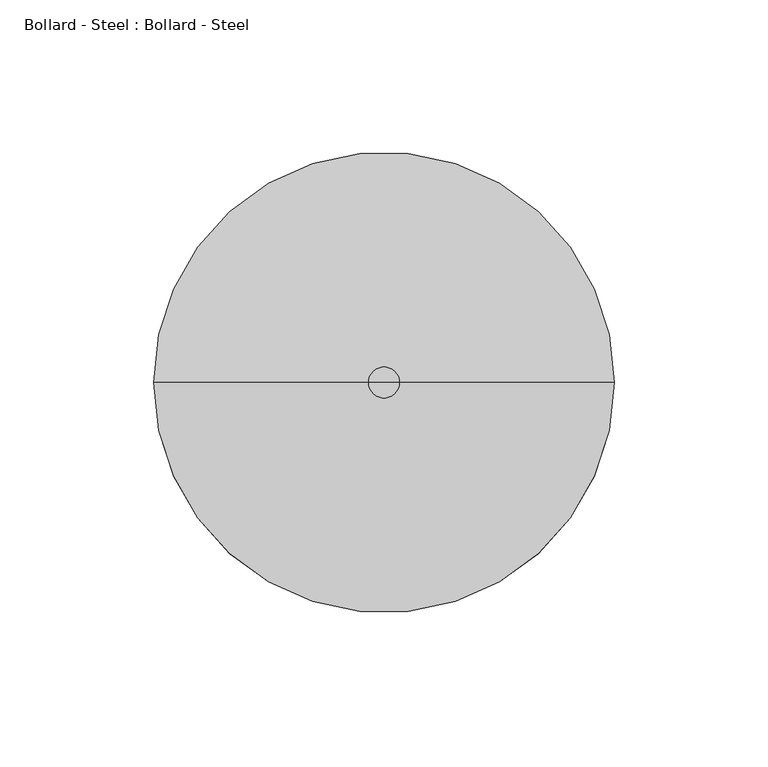
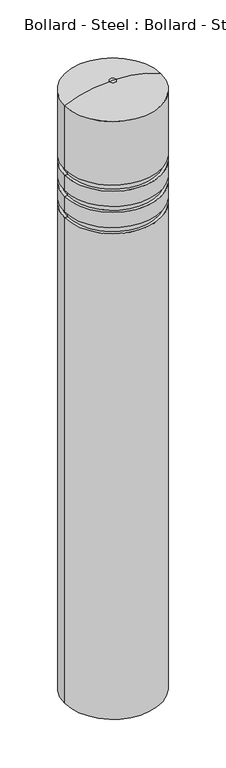
"""IFC4 building model written with IfcOpenShell, lengths in millimetres: geographic element geometry, Bollard - Steel : Bollard - Steel."""

from ifc_helpers import new_model, si_unit, point, frame, origin, place, context, project, spatial, circle_curve, ellipse_curve, trimmed, source, transform, mapped, element, save
from ifc_brep_helpers import plane_surface, cylinder_surface, revolved_surface, advanced_brep


def bollard_steel_bollard_steel_31eeb085(model_context):
    return source(origin(), model_context, "Body", "AdvancedBrep", [
        advanced_brep(
        [(70.4544105, 4.2111108, 0.0), (70.4544105, 4.2111108, 800.0), (-79.5455895, 4.2111108, 800.0), (-79.5455895, 4.2111108, 0.0), (-4.5455895, 4.2111108, 0.0), (0.4544105, 4.2111108, 1000.0), (-4.5455895, 4.2111108, 1000.0), (-9.5455895, 4.2111108, 1000.0), (70.4544105, 4.2111108, 984.6496028), (-79.5455895, 4.2111108, 984.6496028), (70.4544105, 4.2111108, 880.0), (-79.5455895, 4.2111108, 880.0), (65.4544105, 4.2111108, 880.0), (-74.5455895, 4.2111108, 880.0), (65.4544105, 4.2111108, 870.0), (-74.5455895, 4.2111108, 870.0), (70.4544105, 4.2111108, 870.0), (-79.5455895, 4.2111108, 870.0), (70.4544105, 4.2111108, 845.0), (-79.5455895, 4.2111108, 845.0), (65.4544105, 4.2111108, 845.0), (-74.5455895, 4.2111108, 845.0), (65.4544105, 4.2111108, 835.0), (-74.5455895, 4.2111108, 835.0), (70.4544105, 4.2111108, 835.0), (-79.5455895, 4.2111108, 835.0), (70.4544105, 4.2111108, 810.0), (-79.5455895, 4.2111108, 810.0), (65.4544105, 4.2111108, 810.0), (-74.5455895, 4.2111108, 810.0), (65.4544105, 4.2111108, 800.0), (-74.5455895, 4.2111108, 800.0)],
        [
            (0, 1),
            (1, 2, circle_curve(frame((-4.5455895, 4.2111108, 800.0), z_axis=(0.0, 0.0, -1.0), x_axis=(-1.0, 0.0, 0.0)), 75.0)),
            (2, 3),
            (3, 0, circle_curve(frame((-4.5455895, 4.2111108, 0.0), z_axis=(0.0, 0.0, 1.0), x_axis=(-1.0, 0.0, 0.0)), 75.0)),
            (2, 1, circle_curve(frame((-4.5455895, 4.2111108, 800.0), z_axis=(0.0, 0.0, -1.0), x_axis=(-1.0, 0.0, 0.0)), 75.0)),
            (0, 3, circle_curve(frame((-4.5455895, 4.2111108, 0.0), z_axis=(0.0, 0.0, 1.0), x_axis=(-1.0, 0.0, 0.0)), 75.0)),
            (4, 0),
            (3, 4),
            (5, 6),
            (6, 7),
            (7, 5, circle_curve(frame((-4.5455895, 4.2111108, 1000.0), z_axis=(0.0, 0.0, 1.0), x_axis=(-1.0, 0.0, 0.0)), 5.0)),
            (5, 7, circle_curve(frame((-4.5455895, 4.2111108, 1000.0), z_axis=(0.0, 0.0, 1.0), x_axis=(-1.0, 0.0, 0.0)), 5.0)),
            (8, 5, circle_curve(frame((0.4544105, 4.2111108, 832.7198112), z_axis=(0.0, -1.0, 0.0), x_axis=(-1.0, 0.0, 0.0)), 167.2801888)),
            (7, 9, circle_curve(frame((-9.5455895, 4.2111108, 832.7198112), z_axis=(0.0, -1.0, 0.0), x_axis=(1.0, 0.0, 0.0)), 167.2801888)),
            (9, 8, circle_curve(frame((-4.5455895, 4.2111108, 984.6496028), z_axis=(0.0, 0.0, 1.0), x_axis=(-1.0, 0.0, 0.0)), 75.0)),
            (8, 9, circle_curve(frame((-4.5455895, 4.2111108, 984.6496028), z_axis=(0.0, 0.0, 1.0), x_axis=(-1.0, 0.0, 0.0)), 75.0)),
            (10, 8),
            (9, 11),
            (11, 10, circle_curve(frame((-4.5455895, 4.2111108, 880.0), z_axis=(0.0, 0.0, 1.0), x_axis=(-1.0, 0.0, 0.0)), 75.0)),
            (10, 11, circle_curve(frame((-4.5455895, 4.2111108, 880.0), z_axis=(0.0, 0.0, 1.0), x_axis=(-1.0, 0.0, 0.0)), 75.0)),
            (12, 10),
            (11, 13),
            (13, 12, circle_curve(frame((-4.5455895, 4.2111108, 880.0), z_axis=(0.0, 0.0, 1.0), x_axis=(-1.0, 0.0, 0.0)), 70.0)),
            (12, 13, circle_curve(frame((-4.5455895, 4.2111108, 880.0), z_axis=(0.0, 0.0, 1.0), x_axis=(-1.0, 0.0, 0.0)), 70.0)),
            (14, 12),
            (13, 15),
            (15, 14, circle_curve(frame((-4.5455895, 4.2111108, 870.0), z_axis=(0.0, 0.0, 1.0), x_axis=(-1.0, 0.0, 0.0)), 70.0)),
            (14, 15, circle_curve(frame((-4.5455895, 4.2111108, 870.0), z_axis=(0.0, 0.0, 1.0), x_axis=(-1.0, 0.0, 0.0)), 70.0)),
            (16, 14),
            (15, 17),
            (17, 16, circle_curve(frame((-4.5455895, 4.2111108, 870.0), z_axis=(0.0, 0.0, 1.0), x_axis=(-1.0, 0.0, 0.0)), 75.0)),
            (16, 17, circle_curve(frame((-4.5455895, 4.2111108, 870.0), z_axis=(0.0, 0.0, 1.0), x_axis=(-1.0, 0.0, 0.0)), 75.0)),
            (18, 16),
            (17, 19),
            (19, 18, circle_curve(frame((-4.5455895, 4.2111108, 845.0), z_axis=(0.0, 0.0, 1.0), x_axis=(-1.0, 0.0, 0.0)), 75.0)),
            (18, 19, circle_curve(frame((-4.5455895, 4.2111108, 845.0), z_axis=(0.0, 0.0, 1.0), x_axis=(-1.0, 0.0, 0.0)), 75.0)),
            (20, 18),
            (19, 21),
            (21, 20, circle_curve(frame((-4.5455895, 4.2111108, 845.0), z_axis=(0.0, 0.0, 1.0), x_axis=(-1.0, 0.0, 0.0)), 70.0)),
            (20, 21, circle_curve(frame((-4.5455895, 4.2111108, 845.0), z_axis=(0.0, 0.0, 1.0), x_axis=(-1.0, 0.0, 0.0)), 70.0)),
            (22, 20),
            (21, 23),
            (23, 22, circle_curve(frame((-4.5455895, 4.2111108, 835.0), z_axis=(0.0, 0.0, 1.0), x_axis=(-1.0, 0.0, 0.0)), 70.0)),
            (22, 23, circle_curve(frame((-4.5455895, 4.2111108, 835.0), z_axis=(0.0, 0.0, 1.0), x_axis=(-1.0, 0.0, 0.0)), 70.0)),
            (24, 22),
            (23, 25),
            (25, 24, circle_curve(frame((-4.5455895, 4.2111108, 835.0), z_axis=(0.0, 0.0, 1.0), x_axis=(-1.0, 0.0, 0.0)), 75.0)),
            (24, 25, circle_curve(frame((-4.5455895, 4.2111108, 835.0), z_axis=(0.0, 0.0, 1.0), x_axis=(-1.0, 0.0, 0.0)), 75.0)),
            (26, 24),
            (25, 27),
            (27, 26, circle_curve(frame((-4.5455895, 4.2111108, 810.0), z_axis=(0.0, 0.0, 1.0), x_axis=(-1.0, 0.0, 0.0)), 75.0)),
            (26, 27, circle_curve(frame((-4.5455895, 4.2111108, 810.0), z_axis=(0.0, 0.0, 1.0), x_axis=(-1.0, 0.0, 0.0)), 75.0)),
            (28, 26),
            (27, 29),
            (29, 28, circle_curve(frame((-4.5455895, 4.2111108, 810.0), z_axis=(0.0, 0.0, 1.0), x_axis=(-1.0, 0.0, 0.0)), 70.0)),
            (28, 29, circle_curve(frame((-4.5455895, 4.2111108, 810.0), z_axis=(0.0, 0.0, 1.0), x_axis=(-1.0, 0.0, 0.0)), 70.0)),
            (30, 28),
            (29, 31),
            (31, 30, circle_curve(frame((-4.5455895, 4.2111108, 800.0), z_axis=(0.0, 0.0, 1.0), x_axis=(-1.0, 0.0, 0.0)), 70.0)),
            (30, 31, circle_curve(frame((-4.5455895, 4.2111108, 800.0), z_axis=(0.0, 0.0, 1.0), x_axis=(-1.0, 0.0, 0.0)), 70.0)),
            (1, 30),
            (31, 2),
        ],
        [
            cylinder_surface(frame((-4.5455895, 4.2111108, 1040.0), z_axis=(0.0, 0.0, -1.0), x_axis=(-1.0, 0.0, 0.0)), 75.0),
            plane_surface(frame((-4.5455895, 4.2111108, 0.0), z_axis=(0.0, 0.0, -1.0), x_axis=(-1.0, 0.0, 0.0))),
            plane_surface(frame((-4.5455895, 4.2111108, 1000.0), z_axis=(0.0, 0.0, 1.0), x_axis=(-1.0, 0.0, 0.0))),
            revolved_surface(trimmed(ellipse_curve(frame((-9.5455895, 4.2111108, 832.7198112), z_axis=(0.0, -1.0, 0.0), x_axis=(1.0, 0.0, 0.0)), 167.2801888, 167.2801888), [point((-9.5455895, 4.2111108, 1000.0))], [point((-79.5455895, 4.2111108, 984.6496028))], True, "CARTESIAN"), (-4.5455895, 4.2111108, 1040.0), (0.0, 0.0, -1.0)),
            plane_surface(frame((-4.5455895, 4.2111108, 880.0), z_axis=(0.0, 0.0, -1.0), x_axis=(-1.0, 0.0, 0.0))),
            cylinder_surface(frame((-4.5455895, 4.2111108, 1040.0), z_axis=(0.0, 0.0, -1.0), x_axis=(-1.0, 0.0, 0.0)), 70.0),
            plane_surface(frame((-4.5455895, 4.2111108, 870.0), z_axis=(0.0, 0.0, 1.0), x_axis=(-1.0, 0.0, 0.0))),
            plane_surface(frame((-4.5455895, 4.2111108, 845.0), z_axis=(0.0, 0.0, -1.0), x_axis=(-1.0, 0.0, 0.0))),
            plane_surface(frame((-4.5455895, 4.2111108, 835.0), z_axis=(0.0, 0.0, 1.0), x_axis=(-1.0, 0.0, 0.0))),
            plane_surface(frame((-4.5455895, 4.2111108, 810.0), z_axis=(0.0, 0.0, -1.0), x_axis=(-1.0, 0.0, 0.0))),
            plane_surface(frame((-4.5455895, 4.2111108, 800.0), z_axis=(0.0, 0.0, 1.0), x_axis=(-1.0, 0.0, 0.0))),
        ],
        [
            (0, [[1, 2, 3, 4]]),
            (0, [[-3, 5, -1, 6]]),
            (1, [[7, -4, 8]]),
            (1, [[-8, -6, -7]]),
            (2, [[9, 10, 11]]),
            (2, [[-10, -9, 12]]),
            (3, [[13, -11, 14, 15]]),
            (3, [[-14, -12, -13, 16]]),
            (0, [[17, -15, 18, 19]]),
            (0, [[-18, -16, -17, 20]]),
            (4, [[21, -19, 22, 23]]),
            (4, [[-22, -20, -21, 24]]),
            (5, [[25, -23, 26, 27]]),
            (5, [[-26, -24, -25, 28]]),
            (6, [[29, -27, 30, 31]]),
            (6, [[-30, -28, -29, 32]]),
            (0, [[33, -31, 34, 35]]),
            (0, [[-34, -32, -33, 36]]),
            (7, [[37, -35, 38, 39]]),
            (7, [[-38, -36, -37, 40]]),
            (5, [[41, -39, 42, 43]]),
            (5, [[-42, -40, -41, 44]]),
            (8, [[45, -43, 46, 47]]),
            (8, [[-46, -44, -45, 48]]),
            (0, [[49, -47, 50, 51]]),
            (0, [[-50, -48, -49, 52]]),
            (9, [[53, -51, 54, 55]]),
            (9, [[-54, -52, -53, 56]]),
            (5, [[57, -55, 58, 59]]),
            (5, [[-58, -56, -57, 60]]),
            (10, [[61, -59, 62, -2]]),
            (10, [[-62, -60, -61, -5]]),
        ],
    ),
    ])


if __name__ == "__main__":
    model = new_model("IFC4")
    model_context = context("Model", 3, world=origin())
    ifc_project = project(units=[si_unit("LENGTHUNIT", "METRE", prefix="MILLI")], contexts=[model_context])
    site = spatial("IfcSite", under=ifc_project)
    building = spatial("IfcBuilding", under=site)
    placement = place(None, origin())
    bollard_steel_bollard_steel_shape = bollard_steel_bollard_steel_31eeb085(model_context)
    element("IfcGeographicElement", 1, ObjectType="Bollard - Steel : Bollard - Steel", at=placement, inside=building, context=model_context, shape_type="MappedRepresentation", body=[
        mapped(bollard_steel_bollard_steel_shape, transform((0.0, 0.0, 0.0), x_axis=(1.0, 0.0, 0.0), y_axis=(0.0, 1.0, 0.0), z_axis=(0.0, 0.0, 1.0))),
    ])
    save(model, "model.ifc")
